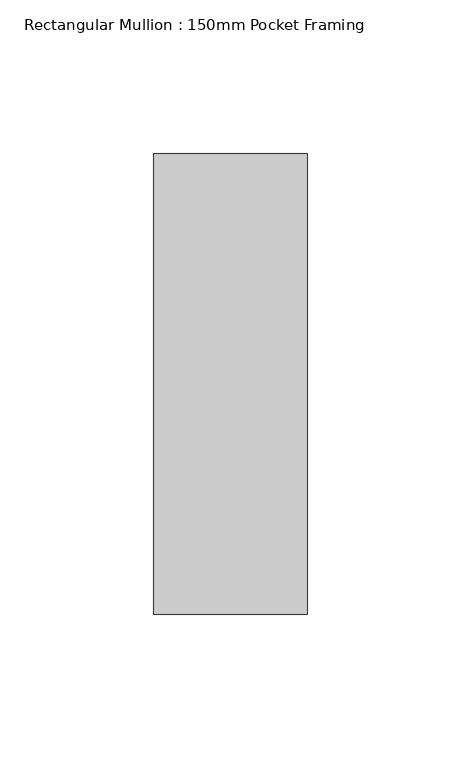
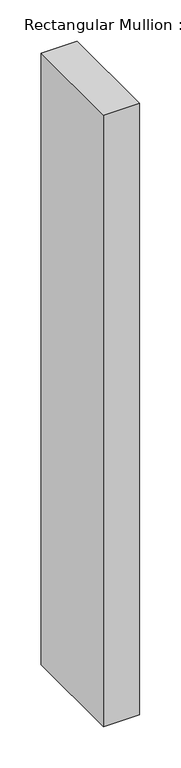
"""IFC4 building model written with IfcOpenShell, lengths in millimetres: member geometry, Rectangular Mullion : 150mm Pocket Framing."""

from ifc_helpers import new_model, si_unit, frame, origin, place, context, project, spatial, polyline, outline, extrude, source, transform, mapped, element, save


def rectangular_mullion_150mm_pocket_framing_3ddb3363(model_context):
    return source(origin(), model_context, "Body", "SweptSolid", [
        extrude(outline(polyline([(25.0, 75.0), (25.0, -75.0), (-25.0, -75.0), (-25.0, 75.0), (25.0, 75.0)])), frame((0.0, 0.0, -900.0), z_axis=(0.0, 0.0, 1.0), x_axis=(1.0, 0.0, 0.0)), (0.0, 0.0, 1.0), 900.0),
    ])


if __name__ == "__main__":
    model = new_model("IFC4")
    model_context = context("Model", 3, world=origin())
    ifc_project = project(units=[si_unit("LENGTHUNIT", "METRE", prefix="MILLI")], contexts=[model_context])
    site = spatial("IfcSite", under=ifc_project)
    building = spatial("IfcBuilding", under=site)
    placement = place(None, origin())
    rectangular_mullion_150mm_pocket_framing_shape = rectangular_mullion_150mm_pocket_framing_3ddb3363(model_context)
    element("IfcMember", 1, ObjectType="Rectangular Mullion : 150mm Pocket Framing", at=placement, inside=building, context=model_context, shape_type="MappedRepresentation", body=[
        mapped(rectangular_mullion_150mm_pocket_framing_shape, transform((0.0, 0.0, 0.0), x_axis=(1.0, 0.0, 0.0), y_axis=(0.0, 1.0, 0.0), z_axis=(0.0, 0.0, 1.0))),
    ])
    save(model, "model.ifc")
